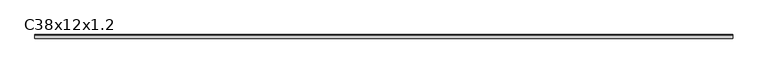
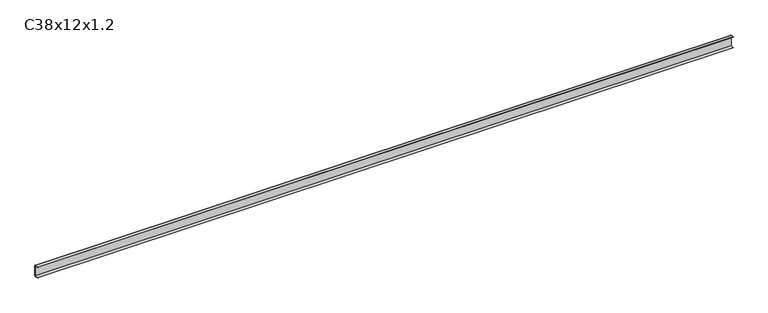
"""IFC4 building model written with IfcOpenShell, lengths in millimetres: proxy geometry, C38x12x1.2."""

from ifc_helpers import new_model, si_unit, point, frame, frame_2d, origin, place, context, project, spatial, polyline, circle_curve, trimmed, segment, composite_curve, outline, extrude, source, transform, mapped, element, save


def c38x12x1_2_dcaf0e9d(model_context):
    return source(origin(), model_context, "Body", "SweptSolid", [
        extrude(outline(composite_curve([segment(polyline([(-6.0, 36.8), (-6.0, 38.0), (4.8, 38.0)]), True, "CONTINUOUS"), segment(trimmed(circle_curve(frame_2d((4.8, 36.8)), 1.2), [point((4.8, 38.0))], [point((6.0, 36.8))], False, "CARTESIAN"), True, "CONTINUOUS"), segment(polyline([(6.0, 36.8), (6.0, 1.2)]), True, "CONTINUOUS"), segment(trimmed(circle_curve(frame_2d((4.8, 1.2)), 1.2), [point((6.0, 1.2))], [point((4.8, 0.0))], False, "CARTESIAN"), True, "CONTINUOUS"), segment(polyline([(4.8, 0.0), (-6.0, 0.0), (-6.0, 1.2), (4.8, 1.2), (4.8, 36.8), (-6.0, 36.8)]), True, "CONTINUOUS")], self_intersect=False)), frame((0.0, 0.0, 0.0), z_axis=(1.0, 0.0, 0.0), x_axis=(0.0, 1.0, 0.0)), (0.0, 0.0, 1.0), 2300.0),
    ])


if __name__ == "__main__":
    model = new_model("IFC4")
    model_context = context("Model", 3, world=origin())
    ifc_project = project(units=[si_unit("LENGTHUNIT", "METRE", prefix="MILLI")], contexts=[model_context])
    site = spatial("IfcSite", under=ifc_project)
    building = spatial("IfcBuilding", under=site)
    placement = place(None, origin())
    c38x12x1_2_shape = c38x12x1_2_dcaf0e9d(model_context)
    element("IfcBuildingElementProxy", 1, Name="C38x12x1.2", ObjectType="C38x12x1.2", at=placement, inside=building, context=model_context, shape_type="MappedRepresentation", body=[
        mapped(c38x12x1_2_shape, transform((0.0, 0.0, 0.0), x_axis=(1.0, 0.0, 0.0), y_axis=(0.0, 1.0, 0.0), z_axis=(0.0, 0.0, 1.0))),
    ])
    save(model, "model.ifc")
